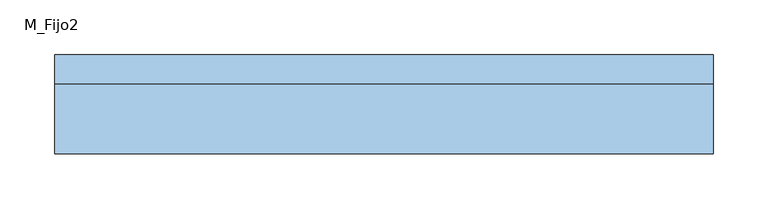
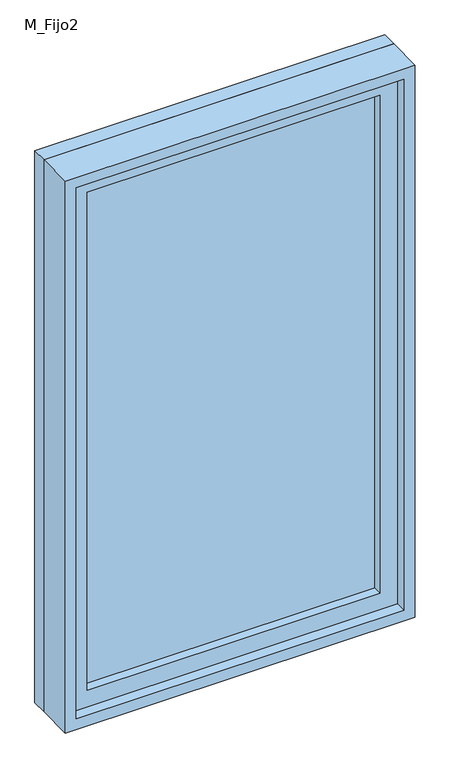
"""IFC4 building model written with IfcOpenShell, lengths in millimetres: window geometry, M_Fijo2."""

import ifcopenshell
import ifcopenshell.guid

model = None  # the IFC model being written
_history = None  # IfcOwnerHistory: only IFC2X3 demands one
_inside = {}  # id of a spatial element -> (the spatial element, [elements in it])
_under = {}  # id of a project, library or spatial element -> (it, [spatial elements below it])
_declared = {}  # id of a project -> (the project, [libraries it declares])
_typed = {}  # id of a type object -> (the type object, [elements of that type])
_made_of = {}  # id of a material, layer set ... -> (it, [elements and type objects made of it])


def new_model(schema):
    """Start an empty IFC model of exactly this schema.

    Asked for "IFC4X3", IfcOpenShell would pick the latest addendum, in which some entities
    have other attributes; the version numbers below select the first issue.
    IFC2X3 requires an IfcOwnerHistory on every rooted entity: one is made here for all.
    """
    global model, _history
    if schema == "IFC4X3":
        model = ifcopenshell.file(schema_version=(4, 3, 0, 0))
    else:
        model = ifcopenshell.file(schema=schema)
    _inside.clear()
    _under.clear()
    _declared.clear()
    _typed.clear()
    _made_of.clear()
    _history = None
    if model.schema == "IFC2X3":
        org = make("IfcOrganization", Name="unknown")
        user = make(
            "IfcPersonAndOrganization",
            ThePerson=make("IfcPerson", FamilyName="unknown"),
            TheOrganization=org,
        )
        app = make(
            "IfcApplication",
            ApplicationDeveloper=org,
            Version="unknown",
            ApplicationFullName="unknown",
            ApplicationIdentifier="unknown",
        )
        _history = make(
            "IfcOwnerHistory",
            OwningUser=user,
            OwningApplication=app,
            ChangeAction="ADDED",
            CreationDate=0,
        )
    return model


def make(cls, **values):
    """One entity of the class cls with the attributes given. An attribute that is None is left unset."""
    return model.create_entity(
        cls, **{name: value for name, value in values.items() if value is not None}
    )


def rooted(cls, **values):
    """An entity with a GlobalId (a new one), such as an element, a storey or a relation."""
    return make(cls, GlobalId=ifcopenshell.guid.new(), OwnerHistory=_history, **values)


def si_unit(unit_type, name, prefix=None):
    """IfcSIUnit, for example si_unit("LENGTHUNIT", "METRE", prefix="MILLI")."""
    return make("IfcSIUnit", UnitType=unit_type, Prefix=prefix, Name=name)


def assignment(units):
    """IfcUnitAssignment: the units of a project."""
    return None if units is None else make("IfcUnitAssignment", Units=units)


def point(xyz):
    """IfcCartesianPoint."""
    return None if xyz is None else make("IfcCartesianPoint", Coordinates=xyz)


def direction(xyz):
    """IfcDirection."""
    return None if xyz is None else make("IfcDirection", DirectionRatios=xyz)


def frame(location, z_axis=None, x_axis=None):
    """IfcAxis2Placement3D, a coordinate frame: its origin and axes. An axis left out is left unset."""
    return make(
        "IfcAxis2Placement3D",
        Location=point(location),
        Axis=direction(z_axis),
        RefDirection=direction(x_axis),
    )


def origin():
    """The frame at (0, 0, 0) with its axes left unset."""
    return frame((0.0, 0.0, 0.0))


def place(relative_to, where):
    """IfcLocalPlacement: puts the frame where relative to a parent placement (None: the world)."""
    return make(
        "IfcLocalPlacement", PlacementRelTo=relative_to, RelativePlacement=where
    )


def context(
    kind, dimensions, precision=None, world=None, true_north=None, identifier=None
):
    """IfcGeometricRepresentationContext, for example the 3D "Model" context."""
    return make(
        "IfcGeometricRepresentationContext",
        ContextIdentifier=identifier,
        ContextType=kind,
        CoordinateSpaceDimension=dimensions,
        Precision=precision,
        WorldCoordinateSystem=world,
        TrueNorth=true_north,
    )


def project(units=None, contexts=None):
    """IfcProject with its units and contexts."""
    return rooted(
        "IfcProject",
        Name="project",
        RepresentationContexts=contexts,
        UnitsInContext=assignment(units),
    )


def spatial(cls, under=None, at=None, **own):
    """A site, building, storey or space (cls), placed at a placement, below another one or the project."""
    s = rooted(cls, ObjectPlacement=at, **own)
    if under is not None:
        _under.setdefault(under.id(), (under, []))[1].append(s)
    return s


def polyline(points):
    """IfcPolyline through the points."""
    return make("IfcPolyline", Points=[point(p) for p in points])


def outline(outer, holes=None, kind="AREA"):
    """IfcArbitraryClosedProfileDef: a profile drawn as a closed curve; with holes, ...WithVoids."""
    if holes is None:
        return make("IfcArbitraryClosedProfileDef", ProfileType=kind, OuterCurve=outer)
    return make(
        "IfcArbitraryProfileDefWithVoids",
        ProfileType=kind,
        OuterCurve=outer,
        InnerCurves=holes,
    )


def extrude(swept, where, along, depth):
    """IfcExtrudedAreaSolid: the profile swept, set in the frame where, extruded along a direction by depth."""
    return make(
        "IfcExtrudedAreaSolid",
        SweptArea=swept,
        Position=where,
        ExtrudedDirection=direction(along),
        Depth=depth,
    )


def shape(context_of_items, identifier, shape_type, items):
    """IfcShapeRepresentation: the items that make up one representation, for example the "Body"."""
    return make(
        "IfcShapeRepresentation",
        ContextOfItems=context_of_items,
        RepresentationIdentifier=identifier,
        RepresentationType=shape_type,
        Items=items,
    )


def source(mapping_origin, context_of_items, identifier, shape_type, items):
    """IfcRepresentationMap: a shape defined once, which mapped items show again and again."""
    return make(
        "IfcRepresentationMap",
        MappingOrigin=mapping_origin,
        MappedRepresentation=shape(context_of_items, identifier, shape_type, items),
    )


def transform(
    local_origin,
    x_axis=None,
    y_axis=None,
    z_axis=None,
    scale=None,
    scale2=None,
    scale3=None,
    uniform=True,
):
    """IfcCartesianTransformationOperator3D, or its non-uniform kind. x_axis, y_axis, z_axis: its Axis1, 2, 3."""
    if uniform:
        return make(
            "IfcCartesianTransformationOperator3D",
            Axis1=direction(x_axis),
            Axis2=direction(y_axis),
            LocalOrigin=point(local_origin),
            Scale=scale,
            Axis3=direction(z_axis),
        )
    return make(
        "IfcCartesianTransformationOperator3DnonUniform",
        Axis1=direction(x_axis),
        Axis2=direction(y_axis),
        LocalOrigin=point(local_origin),
        Scale=scale,
        Axis3=direction(z_axis),
        Scale2=scale2,
        Scale3=scale3,
    )


def mapped(mapping_source, mapping_target):
    """IfcMappedItem: shows the shape of a source again, moved by a transform."""
    return make(
        "IfcMappedItem", MappingSource=mapping_source, MappingTarget=mapping_target
    )


def made_of(thing, what):
    """Note that an element or type object is made of a material, layer set ...; save() writes the relation."""
    if what is not None:
        _made_of.setdefault(what.id(), (what, []))[1].append(thing)
    return thing


def element(
    cls,
    number,
    at=None,
    inside=None,
    cuts=None,
    type_object=None,
    material=None,
    context=None,
    identifier="Body",
    shape_type=None,
    held_by="IfcProductDefinitionShape",
    body=None,
    shapes=None,
    **own,
):
    """One element of the class cls, such as IfcWall. Its Tag is "e" and its number.

    at: its placement. inside: the storey or other place that contains it. cuts: it is an
    opening in that element (IfcRelVoidsElement). A single representation is given by context,
    identifier, shape_type and body (its items); several are given by shapes. held_by: the class
    of the entity that holds the representations. save() writes the other relations.
    """
    e = rooted(cls, Tag="e%d" % number, ObjectPlacement=at, **own)
    if body is not None:
        shapes = [shape(context, identifier, shape_type, body)]
    if shapes is not None:
        e.Representation = make(held_by, Representations=shapes)
    if inside is not None:
        _inside.setdefault(inside.id(), (inside, []))[1].append(e)
    if cuts is not None:
        rooted(
            "IfcRelVoidsElement", RelatingBuildingElement=cuts, RelatedOpeningElement=e
        )
    if type_object is not None:
        _typed.setdefault(type_object.id(), (type_object, []))[1].append(e)
    return made_of(e, material)


def aggregate(whole, parts):
    """IfcRelAggregates: a whole, such as a stair, and the parts it consists of."""
    return rooted("IfcRelAggregates", RelatingObject=whole, RelatedObjects=parts)


def save(model, path):
    """Write the relations noted so far, then the file.

    IfcRelAggregates (storeys below a building ...), IfcRelContainedInSpatialStructure (elements
    in a storey), IfcRelDefinesByType, IfcRelAssociatesMaterial and IfcRelDeclares: one each for
    every whole, place, type object, material and project.
    """
    for whole, parts in _under.values():
        aggregate(whole, parts)
    for where, things in _inside.values():
        rooted(
            "IfcRelContainedInSpatialStructure",
            RelatedElements=things,
            RelatingStructure=where,
        )
    for kind, things in _typed.values():
        rooted("IfcRelDefinesByType", RelatedObjects=things, RelatingType=kind)
    for what, things in _made_of.values():
        rooted("IfcRelAssociatesMaterial", RelatedObjects=things, RelatingMaterial=what)
    for by, libraries in _declared.values():
        rooted("IfcRelDeclares", RelatingContext=by, RelatedDefinitions=libraries)
    model.write(path)


def m_fijo2_bff404be(model_context):
    return source(origin(), model_context, "Body", "SweptSolid", [
        extrude(outline(polyline([(-251.0, -23.0), (-251.0, -11.0), (251.0, -11.0), (251.0, -23.0), (-251.0, -23.0)])), frame((0.0, 0.0, 849.0), z_axis=(0.0, 0.0, 1.0), x_axis=(1.0, 0.0, 0.0)), (0.0, 0.0, 1.0), 902.0),
        extrude(outline(polyline([(1781.0, -281.0), (819.0, -281.0), (819.0, 281.0), (1781.0, 281.0), (1781.0, -281.0)]), holes=[polyline([(1751.0, -251.0), (1751.0, 251.0), (849.0, 251.0), (849.0, -251.0), (1751.0, -251.0)])]), frame((0.0, -39.0, 0.0), z_axis=(0.0, 1.0, 0.0), x_axis=(0.0, 0.0, 1.0)), (0.0, 0.0, 1.0), 44.0),
        extrude(outline(polyline([(1800.0, -300.0), (800.0, -300.0), (800.0, 300.0), (1800.0, 300.0), (1800.0, -300.0)]), holes=[polyline([(1781.0, -281.0), (1781.0, 281.0), (819.0, 281.0), (819.0, -281.0), (1781.0, -281.0)])]), frame((0.0, -58.0, 0.0), z_axis=(0.0, 1.0, 0.0), x_axis=(0.0, 0.0, 1.0)), (0.0, 0.0, 1.0), 63.0),
        extrude(outline(polyline([(1800.0, -300.0), (800.0, -300.0), (800.0, 300.0), (1800.0, 300.0), (1800.0, -300.0)]), holes=[polyline([(1768.0, -268.0), (1768.0, 268.0), (832.0, 268.0), (832.0, -268.0), (1768.0, -268.0)])]), frame((0.0, 5.0, 0.0), z_axis=(0.0, 1.0, 0.0), x_axis=(0.0, 0.0, 1.0)), (0.0, 0.0, 1.0), 27.0),
    ])


if __name__ == "__main__":
    model = new_model("IFC4")
    model_context = context("Model", 3, world=origin())
    ifc_project = project(units=[si_unit("LENGTHUNIT", "METRE", prefix="MILLI")], contexts=[model_context])
    site = spatial("IfcSite", under=ifc_project)
    building = spatial("IfcBuilding", under=site)
    placement = place(None, origin())
    m_fijo2_shape = m_fijo2_bff404be(model_context)
    element("IfcWindow", 1, ObjectType="M_Fijo2", at=placement, inside=building, context=model_context, shape_type="MappedRepresentation", body=[
        mapped(m_fijo2_shape, transform((0.0, 0.0, 0.0), x_axis=(1.0, 0.0, 0.0), y_axis=(0.0, 1.0, 0.0), z_axis=(0.0, 0.0, 1.0))),
    ])
    save(model, "model.ifc")
